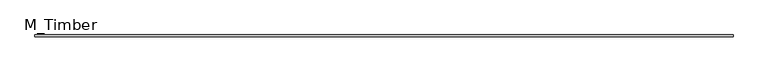
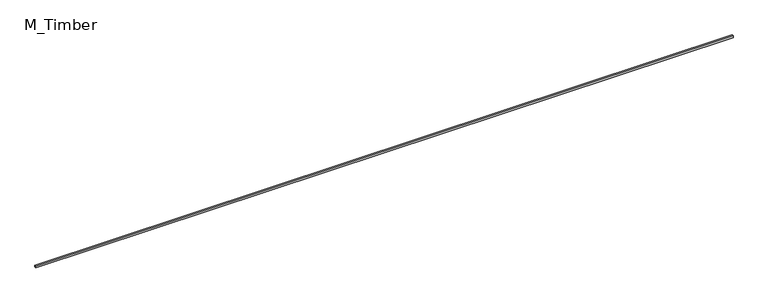
"""IFC4 building model written with IfcOpenShell, lengths in millimetres: beam geometry, M_Timber."""

from ifc_helpers import new_model, si_unit, frame, origin, place, context, project, spatial, polyline, outline, extrude, source, transform, mapped, element, save


def m_timber_0a3c9643(model_context):
    return source(origin(), model_context, "Body", "SweptSolid", [
        extrude(outline(polyline([(7765.1000052, 20.0), (7765.1000052, -20.0), (-7822.6862432, -20.0), (-7822.6862432, 20.0), (7765.1000052, 20.0)])), frame((0.0, 0.0, -20.0), z_axis=(0.0, 0.0, 1.0), x_axis=(1.0, 0.0, 0.0)), (0.0, 0.0, 1.0), 40.0),
    ])


if __name__ == "__main__":
    model = new_model("IFC4")
    model_context = context("Model", 3, world=origin())
    ifc_project = project(units=[si_unit("LENGTHUNIT", "METRE", prefix="MILLI")], contexts=[model_context])
    site = spatial("IfcSite", under=ifc_project)
    building = spatial("IfcBuilding", under=site)
    placement = place(None, origin())
    m_timber_shape = m_timber_0a3c9643(model_context)
    element("IfcBeam", 1, ObjectType="M_Timber", at=placement, inside=building, context=model_context, shape_type="MappedRepresentation", body=[
        mapped(m_timber_shape, transform((0.0, 0.0, 0.0), x_axis=(1.0, 0.0, 0.0), y_axis=(0.0, 1.0, 0.0), z_axis=(0.0, 0.0, 1.0))),
    ])
    save(model, "model.ifc")
